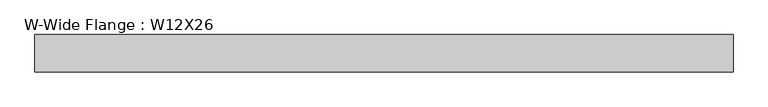
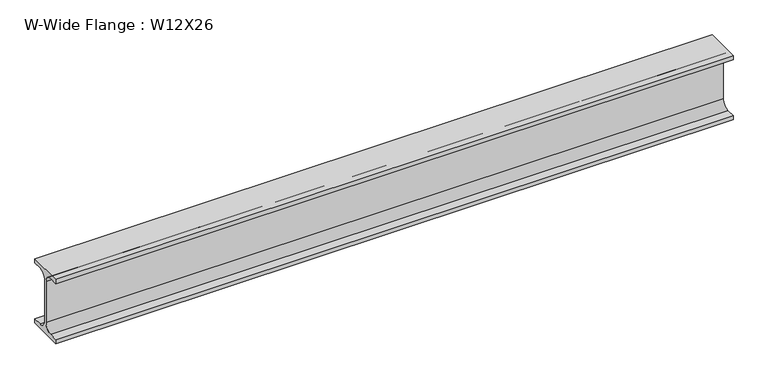
"""IFC4 building model written with IfcOpenShell, lengths in millimetres: beam geometry, W-Wide Flange : W12X26."""

from ifc_helpers import new_model, si_unit, point, frame, frame_2d, origin, place, context, project, spatial, polyline, circle_curve, trimmed, segment, composite_curve, outline, extrude, source, transform, mapped, element, save


def w_wide_flange_w12x26_4bb9267c(model_context):
    return source(origin(), model_context, "Body", "SweptSolid", [
        extrude(outline(composite_curve([segment(polyline([(40.0, -65.3757813), (40.0, -75.0), (-40.0, -75.0), (-40.0, -65.3757813), (-20.2902344, -65.3757813)]), True, "CONTINUOUS"), segment(trimmed(circle_curve(frame_2d((-20.2902344, -48.0125)), 17.3632812), [point((-20.2902344, -65.3757813))], [point((-2.9269531, -48.0125))], True, "CARTESIAN"), True, "CONTINUOUS"), segment(polyline([(-2.9269531, -48.0125), (-2.9269531, 48.0125)]), True, "CONTINUOUS"), segment(trimmed(circle_curve(frame_2d((-20.2902344, 48.0125)), 17.3632812), [point((-2.9269531, 48.0125))], [point((-20.2902344, 65.3757812))], True, "CARTESIAN"), True, "CONTINUOUS"), segment(polyline([(-20.2902344, 65.3757812), (-40.0, 65.3757812), (-40.0, 75.0), (40.0, 75.0), (40.0, 65.3757812), (20.2902344, 65.3757812)]), True, "CONTINUOUS"), segment(trimmed(circle_curve(frame_2d((20.2902344, 48.0125)), 17.3632812), [point((20.2902344, 65.3757812))], [point((2.9269531, 48.0125))], True, "CARTESIAN"), True, "CONTINUOUS"), segment(polyline([(2.9269531, 48.0125), (2.9269531, -48.0125)]), True, "CONTINUOUS"), segment(trimmed(circle_curve(frame_2d((20.2902344, -48.0125)), 17.3632812), [point((2.9269531, -48.0125))], [point((20.2902344, -65.3757813))], True, "CARTESIAN"), True, "CONTINUOUS"), segment(polyline([(20.2902344, -65.3757813), (40.0, -65.3757813)]), True, "CONTINUOUS")], self_intersect=False)), frame((-744.0976746, 0.0, 0.0), z_axis=(1.0, 0.0, 0.0), x_axis=(0.0, 1.0, 0.0)), (0.0, 0.0, 1.0), 1497.0610287),
    ])


if __name__ == "__main__":
    model = new_model("IFC4")
    model_context = context("Model", 3, world=origin())
    ifc_project = project(units=[si_unit("LENGTHUNIT", "METRE", prefix="MILLI")], contexts=[model_context])
    site = spatial("IfcSite", under=ifc_project)
    building = spatial("IfcBuilding", under=site)
    placement = place(None, origin())
    w_wide_flange_w12x26_shape = w_wide_flange_w12x26_4bb9267c(model_context)
    element("IfcBeam", 1, ObjectType="W-Wide Flange : W12X26", at=placement, inside=building, context=model_context, shape_type="MappedRepresentation", body=[
        mapped(w_wide_flange_w12x26_shape, transform((0.0, 0.0, 0.0), x_axis=(1.0, 0.0, 0.0), y_axis=(0.0, 1.0, 0.0), z_axis=(0.0, 0.0, 1.0))),
    ])
    save(model, "model.ifc")
